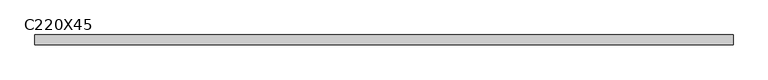
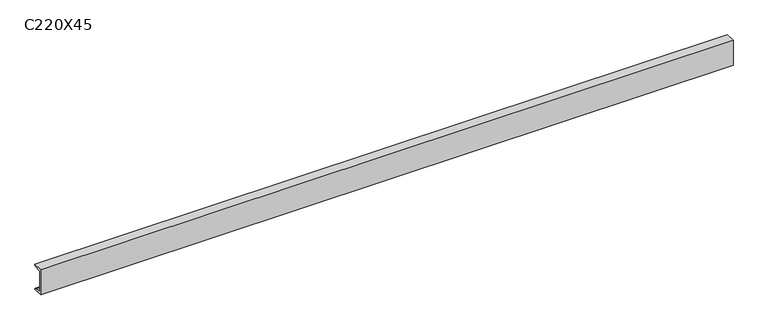
"""IFC4 building model written with IfcOpenShell, lengths in millimetres: beam geometry, C220X45."""

from ifc_helpers import new_model, si_unit, point, frame, frame_2d, origin, place, context, project, spatial, polyline, circle_curve, trimmed, segment, composite_curve, outline, extrude, source, transform, mapped, element, save


def c220x45_937b4d25(model_context):
    return source(origin(), model_context, "Body", "SweptSolid", [
        extrude(outline(composite_curve([segment(polyline([(-17.0, 110.0), (64.0, 110.0)]), True, "CONTINUOUS"), segment(trimmed(circle_curve(frame_2d((51.0, 110.0)), 13.0), [point((64.0, 110.0))], [point((51.0, 97.0))], False, "CARTESIAN"), True, "CONTINUOUS"), segment(polyline([(51.0, 97.0), (-4.0, 88.2888558), (-4.0, -88.2888558), (51.0, -97.0)]), True, "CONTINUOUS"), segment(trimmed(circle_curve(frame_2d((51.0, -110.0)), 13.0), [point((51.0, -97.0))], [point((64.0, -110.0))], False, "CARTESIAN"), True, "CONTINUOUS"), segment(polyline([(64.0, -110.0), (-17.0, -110.0), (-17.0, 110.0)]), True, "CONTINUOUS")], self_intersect=False)), frame((-2883.0, 0.0, 0.0), z_axis=(1.0, 0.0, 0.0), x_axis=(0.0, 1.0, 0.0)), (0.0, 0.0, 1.0), 5766.0),
    ])


if __name__ == "__main__":
    model = new_model("IFC4")
    model_context = context("Model", 3, world=origin())
    ifc_project = project(units=[si_unit("LENGTHUNIT", "METRE", prefix="MILLI")], contexts=[model_context])
    site = spatial("IfcSite", under=ifc_project)
    building = spatial("IfcBuilding", under=site)
    placement = place(None, origin())
    c220x45_shape = c220x45_937b4d25(model_context)
    element("IfcBeam", 1, ObjectType="C220X45", at=placement, inside=building, context=model_context, shape_type="MappedRepresentation", body=[
        mapped(c220x45_shape, transform((0.0, 0.0, 0.0), x_axis=(1.0, 0.0, 0.0), y_axis=(0.0, 1.0, 0.0), z_axis=(0.0, 0.0, 1.0))),
    ])
    save(model, "model.ifc")
